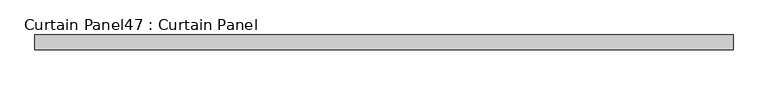
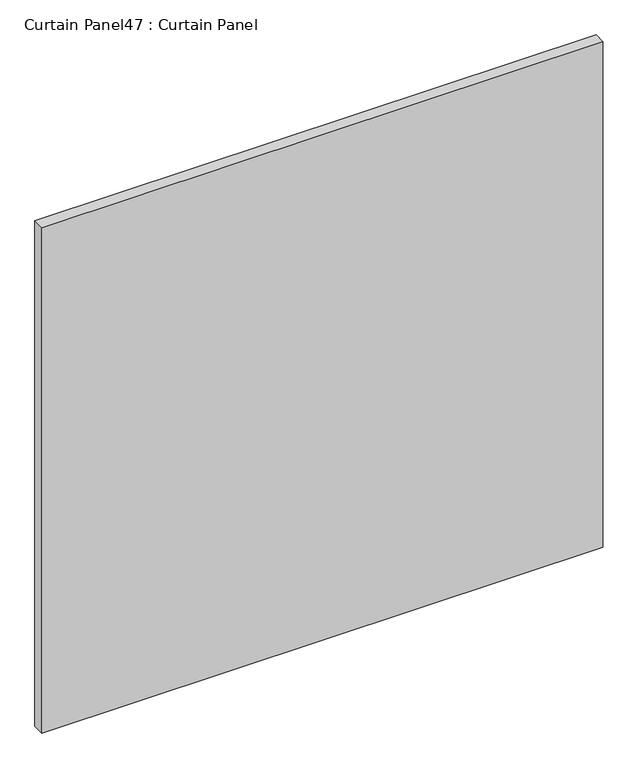
"""IFC4 building model written with IfcOpenShell, lengths in millimetres: plate geometry, Curtain Panel47 : Curtain Panel."""

import ifcopenshell
import ifcopenshell.guid

model = None  # the IFC model being written
_history = None  # IfcOwnerHistory: only IFC2X3 demands one
_inside = {}  # id of a spatial element -> (the spatial element, [elements in it])
_under = {}  # id of a project, library or spatial element -> (it, [spatial elements below it])
_declared = {}  # id of a project -> (the project, [libraries it declares])
_typed = {}  # id of a type object -> (the type object, [elements of that type])
_made_of = {}  # id of a material, layer set ... -> (it, [elements and type objects made of it])


def new_model(schema):
    """Start an empty IFC model of exactly this schema.

    Asked for "IFC4X3", IfcOpenShell would pick the latest addendum, in which some entities
    have other attributes; the version numbers below select the first issue.
    IFC2X3 requires an IfcOwnerHistory on every rooted entity: one is made here for all.
    """
    global model, _history
    if schema == "IFC4X3":
        model = ifcopenshell.file(schema_version=(4, 3, 0, 0))
    else:
        model = ifcopenshell.file(schema=schema)
    _inside.clear()
    _under.clear()
    _declared.clear()
    _typed.clear()
    _made_of.clear()
    _history = None
    if model.schema == "IFC2X3":
        org = make("IfcOrganization", Name="unknown")
        user = make(
            "IfcPersonAndOrganization",
            ThePerson=make("IfcPerson", FamilyName="unknown"),
            TheOrganization=org,
        )
        app = make(
            "IfcApplication",
            ApplicationDeveloper=org,
            Version="unknown",
            ApplicationFullName="unknown",
            ApplicationIdentifier="unknown",
        )
        _history = make(
            "IfcOwnerHistory",
            OwningUser=user,
            OwningApplication=app,
            ChangeAction="ADDED",
            CreationDate=0,
        )
    return model


def make(cls, **values):
    """One entity of the class cls with the attributes given. An attribute that is None is left unset."""
    return model.create_entity(
        cls, **{name: value for name, value in values.items() if value is not None}
    )


def rooted(cls, **values):
    """An entity with a GlobalId (a new one), such as an element, a storey or a relation."""
    return make(cls, GlobalId=ifcopenshell.guid.new(), OwnerHistory=_history, **values)


def si_unit(unit_type, name, prefix=None):
    """IfcSIUnit, for example si_unit("LENGTHUNIT", "METRE", prefix="MILLI")."""
    return make("IfcSIUnit", UnitType=unit_type, Prefix=prefix, Name=name)


def assignment(units):
    """IfcUnitAssignment: the units of a project."""
    return None if units is None else make("IfcUnitAssignment", Units=units)


def point(xyz):
    """IfcCartesianPoint."""
    return None if xyz is None else make("IfcCartesianPoint", Coordinates=xyz)


def direction(xyz):
    """IfcDirection."""
    return None if xyz is None else make("IfcDirection", DirectionRatios=xyz)


def frame(location, z_axis=None, x_axis=None):
    """IfcAxis2Placement3D, a coordinate frame: its origin and axes. An axis left out is left unset."""
    return make(
        "IfcAxis2Placement3D",
        Location=point(location),
        Axis=direction(z_axis),
        RefDirection=direction(x_axis),
    )


def origin():
    """The frame at (0, 0, 0) with its axes left unset."""
    return frame((0.0, 0.0, 0.0))


def place(relative_to, where):
    """IfcLocalPlacement: puts the frame where relative to a parent placement (None: the world)."""
    return make(
        "IfcLocalPlacement", PlacementRelTo=relative_to, RelativePlacement=where
    )


def context(
    kind, dimensions, precision=None, world=None, true_north=None, identifier=None
):
    """IfcGeometricRepresentationContext, for example the 3D "Model" context."""
    return make(
        "IfcGeometricRepresentationContext",
        ContextIdentifier=identifier,
        ContextType=kind,
        CoordinateSpaceDimension=dimensions,
        Precision=precision,
        WorldCoordinateSystem=world,
        TrueNorth=true_north,
    )


def project(units=None, contexts=None):
    """IfcProject with its units and contexts."""
    return rooted(
        "IfcProject",
        Name="project",
        RepresentationContexts=contexts,
        UnitsInContext=assignment(units),
    )


def spatial(cls, under=None, at=None, **own):
    """A site, building, storey or space (cls), placed at a placement, below another one or the project."""
    s = rooted(cls, ObjectPlacement=at, **own)
    if under is not None:
        _under.setdefault(under.id(), (under, []))[1].append(s)
    return s


def polyline(points):
    """IfcPolyline through the points."""
    return make("IfcPolyline", Points=[point(p) for p in points])


def outline(outer, holes=None, kind="AREA"):
    """IfcArbitraryClosedProfileDef: a profile drawn as a closed curve; with holes, ...WithVoids."""
    if holes is None:
        return make("IfcArbitraryClosedProfileDef", ProfileType=kind, OuterCurve=outer)
    return make(
        "IfcArbitraryProfileDefWithVoids",
        ProfileType=kind,
        OuterCurve=outer,
        InnerCurves=holes,
    )


def extrude(swept, where, along, depth):
    """IfcExtrudedAreaSolid: the profile swept, set in the frame where, extruded along a direction by depth."""
    return make(
        "IfcExtrudedAreaSolid",
        SweptArea=swept,
        Position=where,
        ExtrudedDirection=direction(along),
        Depth=depth,
    )


def shape(context_of_items, identifier, shape_type, items):
    """IfcShapeRepresentation: the items that make up one representation, for example the "Body"."""
    return make(
        "IfcShapeRepresentation",
        ContextOfItems=context_of_items,
        RepresentationIdentifier=identifier,
        RepresentationType=shape_type,
        Items=items,
    )


def source(mapping_origin, context_of_items, identifier, shape_type, items):
    """IfcRepresentationMap: a shape defined once, which mapped items show again and again."""
    return make(
        "IfcRepresentationMap",
        MappingOrigin=mapping_origin,
        MappedRepresentation=shape(context_of_items, identifier, shape_type, items),
    )


def transform(
    local_origin,
    x_axis=None,
    y_axis=None,
    z_axis=None,
    scale=None,
    scale2=None,
    scale3=None,
    uniform=True,
):
    """IfcCartesianTransformationOperator3D, or its non-uniform kind. x_axis, y_axis, z_axis: its Axis1, 2, 3."""
    if uniform:
        return make(
            "IfcCartesianTransformationOperator3D",
            Axis1=direction(x_axis),
            Axis2=direction(y_axis),
            LocalOrigin=point(local_origin),
            Scale=scale,
            Axis3=direction(z_axis),
        )
    return make(
        "IfcCartesianTransformationOperator3DnonUniform",
        Axis1=direction(x_axis),
        Axis2=direction(y_axis),
        LocalOrigin=point(local_origin),
        Scale=scale,
        Axis3=direction(z_axis),
        Scale2=scale2,
        Scale3=scale3,
    )


def mapped(mapping_source, mapping_target):
    """IfcMappedItem: shows the shape of a source again, moved by a transform."""
    return make(
        "IfcMappedItem", MappingSource=mapping_source, MappingTarget=mapping_target
    )


def made_of(thing, what):
    """Note that an element or type object is made of a material, layer set ...; save() writes the relation."""
    if what is not None:
        _made_of.setdefault(what.id(), (what, []))[1].append(thing)
    return thing


def element(
    cls,
    number,
    at=None,
    inside=None,
    cuts=None,
    type_object=None,
    material=None,
    context=None,
    identifier="Body",
    shape_type=None,
    held_by="IfcProductDefinitionShape",
    body=None,
    shapes=None,
    **own,
):
    """One element of the class cls, such as IfcWall. Its Tag is "e" and its number.

    at: its placement. inside: the storey or other place that contains it. cuts: it is an
    opening in that element (IfcRelVoidsElement). A single representation is given by context,
    identifier, shape_type and body (its items); several are given by shapes. held_by: the class
    of the entity that holds the representations. save() writes the other relations.
    """
    e = rooted(cls, Tag="e%d" % number, ObjectPlacement=at, **own)
    if body is not None:
        shapes = [shape(context, identifier, shape_type, body)]
    if shapes is not None:
        e.Representation = make(held_by, Representations=shapes)
    if inside is not None:
        _inside.setdefault(inside.id(), (inside, []))[1].append(e)
    if cuts is not None:
        rooted(
            "IfcRelVoidsElement", RelatingBuildingElement=cuts, RelatedOpeningElement=e
        )
    if type_object is not None:
        _typed.setdefault(type_object.id(), (type_object, []))[1].append(e)
    return made_of(e, material)


def aggregate(whole, parts):
    """IfcRelAggregates: a whole, such as a stair, and the parts it consists of."""
    return rooted("IfcRelAggregates", RelatingObject=whole, RelatedObjects=parts)


def save(model, path):
    """Write the relations noted so far, then the file.

    IfcRelAggregates (storeys below a building ...), IfcRelContainedInSpatialStructure (elements
    in a storey), IfcRelDefinesByType, IfcRelAssociatesMaterial and IfcRelDeclares: one each for
    every whole, place, type object, material and project.
    """
    for whole, parts in _under.values():
        aggregate(whole, parts)
    for where, things in _inside.values():
        rooted(
            "IfcRelContainedInSpatialStructure",
            RelatedElements=things,
            RelatingStructure=where,
        )
    for kind, things in _typed.values():
        rooted("IfcRelDefinesByType", RelatedObjects=things, RelatingType=kind)
    for what, things in _made_of.values():
        rooted("IfcRelAssociatesMaterial", RelatedObjects=things, RelatingMaterial=what)
    for by, libraries in _declared.values():
        rooted("IfcRelDeclares", RelatingContext=by, RelatedDefinitions=libraries)
    model.write(path)


def curtain_panel47_curtain_panel_f2a9a5a2(model_context):
    return source(origin(), model_context, "Body", "SweptSolid", [
        extrude(outline(polyline([(-408966.7652248, 7226.1665558), (-410166.9149983, 7226.1665558), (-410166.9149983, 7251.5665558), (-408966.7652248, 7251.5665558), (-408966.7652248, 7226.1665558)])), frame((0.0, 0.0, 66.6751132), z_axis=(0.0, 0.0, 1.0), x_axis=(1.0, 0.0, 0.0)), (0.0, 0.0, 1.0), 1142.9997736),
    ])


if __name__ == "__main__":
    model = new_model("IFC4")
    model_context = context("Model", 3, world=origin())
    ifc_project = project(units=[si_unit("LENGTHUNIT", "METRE", prefix="MILLI")], contexts=[model_context])
    site = spatial("IfcSite", under=ifc_project)
    building = spatial("IfcBuilding", under=site)
    placement = place(None, origin())
    curtain_panel47_curtain_panel_shape = curtain_panel47_curtain_panel_f2a9a5a2(model_context)
    element("IfcPlate", 1, ObjectType="Curtain Panel47 : Curtain Panel", at=placement, inside=building, context=model_context, shape_type="MappedRepresentation", body=[
        mapped(curtain_panel47_curtain_panel_shape, transform((0.0, 0.0, 0.0), x_axis=(1.0, 0.0, 0.0), y_axis=(0.0, 1.0, 0.0), z_axis=(0.0, 0.0, 1.0))),
    ])
    save(model, "model.ifc")
